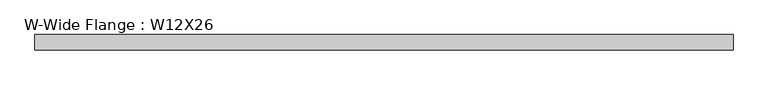
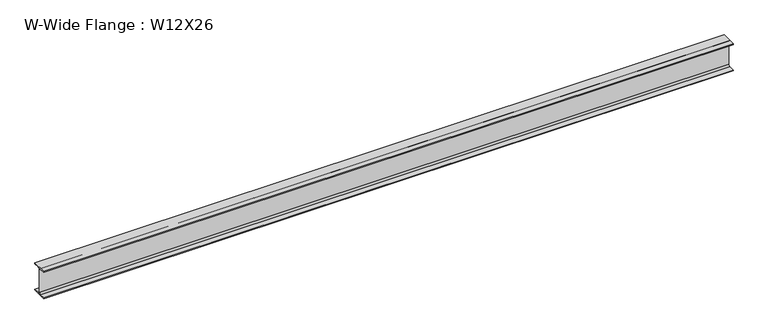
"""IFC4 building model written with IfcOpenShell, lengths in millimetres: beam geometry, W-Wide Flange : W12X26."""

from ifc_helpers import new_model, si_unit, point, frame, frame_2d, origin, place, context, project, spatial, polyline, circle_curve, trimmed, segment, composite_curve, outline, extrude, source, transform, mapped, element, save


def w_wide_flange_w12x26_586158f4(model_context):
    return source(origin(), model_context, "Body", "SweptSolid", [
        extrude(outline(composite_curve([segment(polyline([(82.4011719, -145.5539063), (82.4011719, -155.178125), (-82.4011719, -155.178125), (-82.4011719, -145.5539063), (-20.2902344, -145.5539063)]), True, "CONTINUOUS"), segment(trimmed(circle_curve(frame_2d((-20.2902344, -128.190625)), 17.3632812), [point((-20.2902344, -145.5539063))], [point((-2.9269531, -128.190625))], True, "CARTESIAN"), True, "CONTINUOUS"), segment(polyline([(-2.9269531, -128.190625), (-2.9269531, 128.190625)]), True, "CONTINUOUS"), segment(trimmed(circle_curve(frame_2d((-20.2902344, 128.190625)), 17.3632812), [point((-2.9269531, 128.190625))], [point((-20.2902344, 145.5539062))], True, "CARTESIAN"), True, "CONTINUOUS"), segment(polyline([(-20.2902344, 145.5539062), (-82.4011719, 145.5539062), (-82.4011719, 155.178125), (82.4011719, 155.178125), (82.4011719, 145.5539062), (20.2902344, 145.5539062)]), True, "CONTINUOUS"), segment(trimmed(circle_curve(frame_2d((20.2902344, 128.190625)), 17.3632812), [point((20.2902344, 145.5539062))], [point((2.9269531, 128.190625))], True, "CARTESIAN"), True, "CONTINUOUS"), segment(polyline([(2.9269531, 128.190625), (2.9269531, -128.190625)]), True, "CONTINUOUS"), segment(trimmed(circle_curve(frame_2d((20.2902344, -128.190625)), 17.3632812), [point((2.9269531, -128.190625))], [point((20.2902344, -145.5539063))], True, "CARTESIAN"), True, "CONTINUOUS"), segment(polyline([(20.2902344, -145.5539063), (82.4011719, -145.5539063)]), True, "CONTINUOUS")], self_intersect=False)), frame((-3771.8999994, 0.0, 0.0), z_axis=(1.0, 0.0, 0.0), x_axis=(0.0, 1.0, 0.0)), (0.0, 0.0, 1.0), 7417.0480463),
    ])


if __name__ == "__main__":
    model = new_model("IFC4")
    model_context = context("Model", 3, world=origin())
    ifc_project = project(units=[si_unit("LENGTHUNIT", "METRE", prefix="MILLI")], contexts=[model_context])
    site = spatial("IfcSite", under=ifc_project)
    building = spatial("IfcBuilding", under=site)
    placement = place(None, origin())
    w_wide_flange_w12x26_shape = w_wide_flange_w12x26_586158f4(model_context)
    element("IfcBeam", 1, ObjectType="W-Wide Flange : W12X26", at=placement, inside=building, context=model_context, shape_type="MappedRepresentation", body=[
        mapped(w_wide_flange_w12x26_shape, transform((0.0, 0.0, 0.0), x_axis=(1.0, 0.0, 0.0), y_axis=(0.0, 1.0, 0.0), z_axis=(0.0, 0.0, 1.0))),
    ])
    save(model, "model.ifc")
